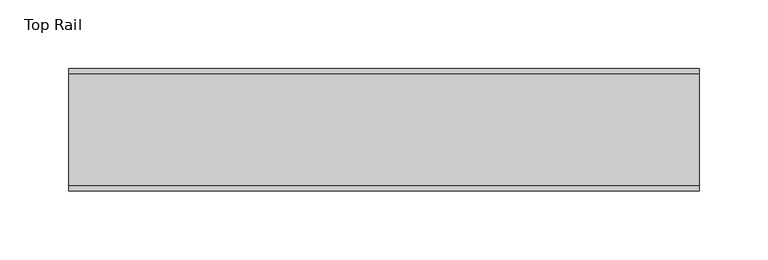
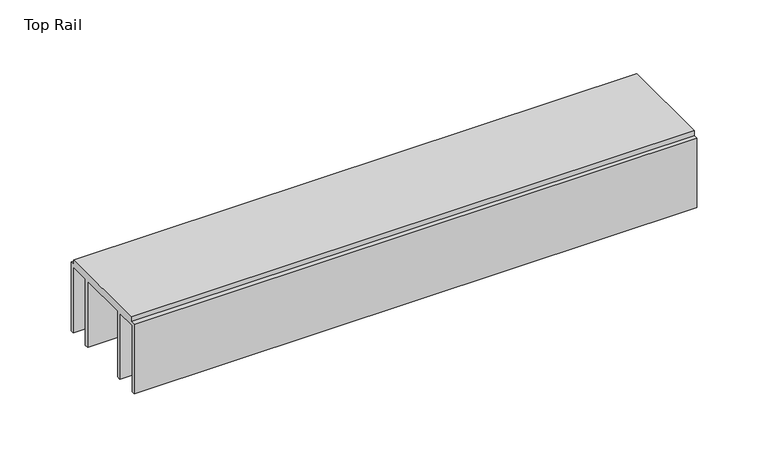
"""IFC4 building model written with IfcOpenShell, lengths in millimetres: furniture geometry, Top Rail."""

from ifc_helpers import new_model, si_unit, frame, origin, place, context, project, spatial, polyline, outline, extrude, source, transform, mapped, element, save


def top_rail_8f947088(model_context):
    return source(origin(), model_context, "Body", "SweptSolid", [
        extrude(outline(polyline([(59.951805, -4.0000001), (59.951805, -63.5), (57.1518064, -63.5), (57.1518064, -6.6000002), (39.7518058, -6.6000002), (39.7518058, -63.5), (36.4518057, -63.5), (36.4518057, -6.6000002), (-5.4481956, -6.6000002), (-5.4481956, -63.5), (-8.7481957, -63.5), (-8.7481957, -6.6000002), (-26.1481963, -6.6000002), (-26.1481963, -63.5), (-28.948195, -63.5), (-28.948195, -4.0000001), (-24.9481962, -4.0000001), (-24.9481962, 0.0), (55.9518063, 0.0), (55.9518063, -4.0000001), (59.951805, -4.0000001)])), frame((-198.6228469, 0.0, 0.0), z_axis=(1.0, 0.0, 0.0), x_axis=(0.0, 1.0, 0.0)), (0.0, 0.0, 1.0), 457.2),
    ])


if __name__ == "__main__":
    model = new_model("IFC4")
    model_context = context("Model", 3, world=origin())
    ifc_project = project(units=[si_unit("LENGTHUNIT", "METRE", prefix="MILLI")], contexts=[model_context])
    site = spatial("IfcSite", under=ifc_project)
    building = spatial("IfcBuilding", under=site)
    placement = place(None, origin())
    top_rail_shape = top_rail_8f947088(model_context)
    element("IfcFurniture", 1, ObjectType="Top Rail", at=placement, inside=building, context=model_context, shape_type="MappedRepresentation", body=[
        mapped(top_rail_shape, transform((0.0, 0.0, 0.0), x_axis=(1.0, 0.0, 0.0), y_axis=(0.0, 1.0, 0.0), z_axis=(0.0, 0.0, 1.0))),
    ])
    save(model, "model.ifc")
